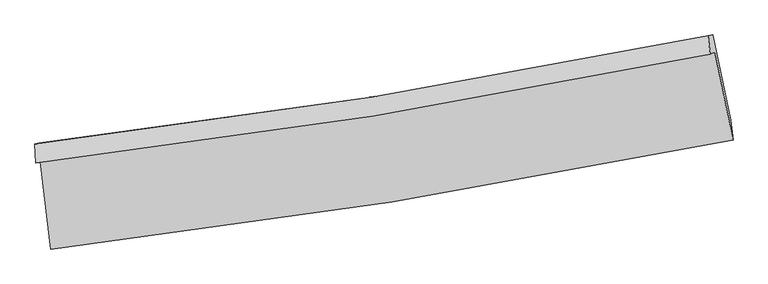
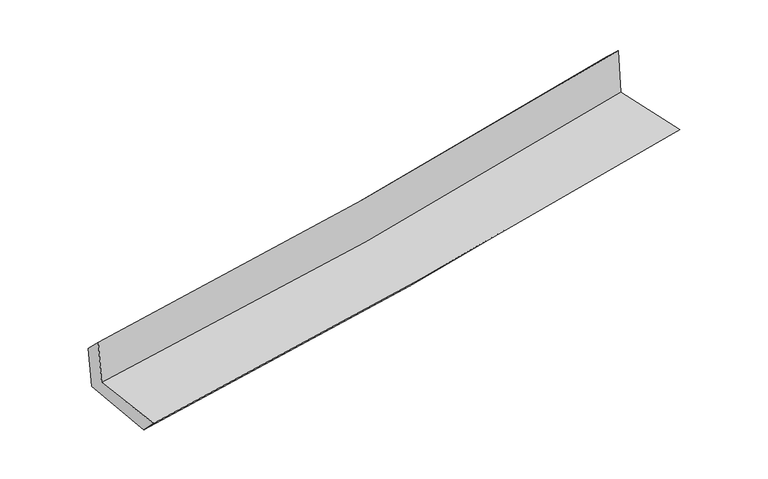
"""IFC4 building model written with IfcOpenShell, lengths in millimetres: proxy geometry."""

from ifc_helpers import new_model, si_unit, frame, origin, place, context, project, spatial, source, transform, mapped, element, save
from ifc_brep_helpers import plane_surface, spline_curve, spline_surface, advanced_brep


def generic_models_077e0597(model_context):
    return source(origin(), model_context, "Body", "AdvancedBrep", [
        advanced_brep(
        [(-2584.6248059, -1891.9893849, 1671.7375496), (-2503.3228064, -2557.5208877, 1661.949524), (2666.4260152, -1729.2644354, 2120.916524), (2528.8889383, -1062.6848142, 2122.1944625), (-2619.8818711, -1903.0049055, 2068.9298018), (2492.9731999, -1079.2513916, 2533.8171479), (-2624.407322, -1758.1184237, 1928.0452136), (2476.7503179, -936.3963136, 2395.3925075), (-2590.3931404, -1752.6695483, 1551.6459474), (2511.0770773, -930.8950238, 2024.2726326), (-2507.3653188, -2407.2827919, 1508.8038153), (2647.8298353, -1576.7412059, 1986.4710656)],
        [
            (0, 1),
            (1, 2, spline_curve(3, [(-2503.3228064, -2557.5208877, 1661.949524), (-1637.941454994, -2456.264512603, 1744.124450309), (-775.190811996, -2336.76835409, 1823.397060729), (948.077352228, -2060.811532951, 1976.406533706), (1808.576316357, -1904.222207167, 2050.122923024), (2666.4260152, -1729.2644354, 2120.916524)], [4, 2, 4], [0.0, 8.563182455066153, 17.156514017241598])),
            (2, 3),
            (3, 0, spline_curve(3, [(2528.8889383, -1062.6848142, 2122.1944625), (1682.065352351, -1240.227680377, 2041.052763064), (831.772497714, -1398.194932459, 1962.883085089), (-872.756384583, -1674.492670688, 1812.751598466), (-1726.968110999, -1792.960275577, 1740.768972181), (-2584.6248059, -1891.9893849, 1671.7375496)], [4, 2, 4], [0.0, 8.593331562175445, 17.156514017241598])),
            (4, 0),
            (3, 5),
            (5, 4, spline_curve(3, [(2492.9731999, -1079.2513916, 2533.8171479), (1645.204084932, -1254.564794381, 2458.502100561), (794.494378894, -1410.955058394, 2382.033863129), (-909.811242499, -1685.407014743, 2227.063336861), (-1763.386560021, -1803.601255405, 2148.56912562), (-2619.8818711, -1903.0049055, 2068.9298018)], [4, 2, 4], [0.0, 8.547293110797735, 17.064598637196166])),
            (6, 4),
            (5, 7),
            (7, 6, spline_curve(3, [(2476.7503179, -936.3963136, 2395.3925075), (1631.109204333, -1111.215415187, 2317.525312835), (782.439844422, -1267.189083882, 2239.577527205), (-917.967247107, -1540.964450225, 2083.794531136), (-1769.68376706, -1658.898151565, 2005.959885748), (-2624.407322, -1758.1184237, 1928.0452136)], [4, 2, 4], [0.0, 8.537420234737198, 17.044887523375227])),
            (8, 6),
            (7, 9),
            (9, 8, spline_curve(3, [(2511.0770773, -930.8950238, 2024.2726326), (1665.227318909, -1105.753513429, 1947.265272566), (816.42767982, -1261.751224542, 1869.30515194), (-884.083055572, -1535.543954652, 1711.756249825), (-1735.773488997, -1653.471084897, 1632.174142032), (-2590.3931404, -1752.6695483, 1551.6459474)], [4, 2, 4], [0.0, 8.528532511267496, 17.0271432583965])),
            (10, 8),
            (9, 11),
            (11, 10, spline_curve(3, [(2647.8298353, -1576.7412059, 1986.4710656), (1793.072627429, -1753.435827845, 1908.612595965), (935.334263249, -1911.083150438, 1829.806143629), (-783.085003374, -2187.796927805, 1670.577086469), (-1643.745023662, -2306.996800677, 1590.161122187), (-2507.3653188, -2407.2827919, 1508.8038153)], [4, 2, 4], [0.0, 8.574152138972908, 17.11822246051111])),
            (1, 10),
            (11, 2),
        ],
        [
            spline_surface(3, 3, [[(-2584.6248059, -1891.9893849, 1671.7375496), (-1726.968111124, -1792.960275711, 1740.768972053), (-872.756384464, -1674.492670826, 1812.751598475), (831.772497593, -1398.194932321, 1962.88308508), (1682.065352368, -1240.227680332, 2041.052762988), (2528.8889383, -1062.6848142, 2122.1944625)], [(-2557.524139388, -2113.833219182, 1668.474874392), (-1697.292559024, -2014.061687987, 1741.887464792), (-840.234526941, -1895.251231936, 1816.300085919), (870.540782469, -1619.067132478, 1967.390901272), (1724.235673758, -1461.559189258, 2044.076149721), (2574.734630627, -1284.878021295, 2121.76848303)], [(-2530.423472912, -2335.677053418, 1665.212199208), (-1667.617006961, -2235.163100217, 1743.005957557), (-807.712669465, -2116.009793093, 1819.848573349), (909.309067298, -1839.939332681, 1971.89871745), (1766.405995069, -1682.890698101, 2047.099536364), (2620.580322873, -1507.071228305, 2121.34250347)], [(-2503.3228064, -2557.5208877, 1661.949524), (-1637.941454862, -2456.264512493, 1744.124450296), (-775.190811942, -2336.768354202, 1823.397060793), (948.077352174, -2060.811532838, 1976.406533642), (1808.576316459, -1904.222207028, 2050.122923097), (2666.4260152, -1729.2644354, 2120.916524)]], [4, 4], [4, 2, 4], [0.0, 2.2018910088754846], [0.0, 8.563182455066153, 17.156514017241598]),
            spline_surface(3, 3, [[(-2619.8818711, -1903.0049055, 2068.9298018), (-1763.386560014, -1803.601255524, 2148.569125696), (-909.811242397, -1685.407014817, 2227.06333685), (794.494378791, -1410.95505832, 2382.03386314), (1645.204084842, -1254.564794342, 2458.502100669), (2492.9731999, -1079.2513916, 2533.8171479)], [(-2608.129516028, -1899.333065311, 1936.532384394), (-1751.247077046, -1800.054262264, 2012.635741143), (-897.459623103, -1681.768900154, 2088.959424052), (806.920418375, -1406.701682987, 2242.316937113), (1657.491174005, -1249.785756311, 2319.352321413), (2504.945112688, -1073.729199106, 2396.609586071)], [(-2596.377160972, -1895.661225089, 1804.134967006), (-1739.107594092, -1796.507268971, 1876.702356606), (-885.108003758, -1678.130785489, 1950.855511274), (819.346458009, -1402.448307653, 2102.600011107), (1669.778263204, -1245.006718362, 2180.202542244), (2516.917025512, -1068.207006694, 2259.402024329)], [(-2584.6248059, -1891.9893849, 1671.7375496), (-1726.968111124, -1792.960275711, 1740.768972053), (-872.756384464, -1674.492670826, 1812.751598475), (831.772497593, -1398.194932321, 1962.88308508), (1682.065352368, -1240.227680332, 2041.052762988), (2528.8889383, -1062.6848142, 2122.1944625)]], [4, 4], [4, 2, 4], [0.0, 1.3732326478253685], [0.0, 8.517305526398431, 17.064598637196166]),
            spline_surface(3, 3, [[(-2624.407322, -1758.1184237, 1928.0452136), (-1769.683767006, -1658.898151505, 2005.959885609), (-917.967247073, -1540.964450162, 2083.794531262), (782.439844389, -1267.189083945, 2239.577527079), (1631.109204455, -1111.215415254, 2317.525312697), (2476.7503179, -936.3963136, 2395.3925075)], [(-2622.898838379, -1806.413917606, 1975.006743017), (-1767.584698021, -1707.132519484, 2053.496298988), (-915.248578835, -1589.111971735, 2131.550799808), (786.458022536, -1315.111075425, 2287.062972449), (1635.807497921, -1158.998541615, 2364.517575366), (2482.157945237, -984.014672932, 2441.534054311)], [(-2621.390354721, -1854.709411594, 2021.968272383), (-1765.485629, -1755.366887545, 2101.032712317), (-912.529910636, -1637.259493244, 2179.307068304), (790.476200644, -1363.03306684, 2334.548417769), (1640.505791375, -1206.781667981, 2411.509838001), (2487.565572563, -1031.633032268, 2487.675601089)], [(-2619.8818711, -1903.0049055, 2068.9298018), (-1763.386560014, -1803.601255524, 2148.569125696), (-909.811242397, -1685.407014817, 2227.06333685), (794.494378791, -1410.95505832, 2382.03386314), (1645.204084842, -1254.564794342, 2458.502100669), (2492.9731999, -1079.2513916, 2533.8171479)]], [4, 4], [4, 2, 4], [0.0, 0.6665618395937992], [0.0, 8.50746728863803, 17.044887523375227]),
            spline_surface(3, 3, [[(-2590.3931404, -1752.6695483, 1551.6459474), (-1735.773488921, -1653.471084993, 1632.174142052), (-884.083055467, -1535.543954696, 1711.756249852), (816.427679715, -1261.751224497, 1869.305151912), (1665.227318781, -1105.7535133, 1947.265272514), (2511.0770773, -930.8950238, 2024.2726326)], [(-2601.731200915, -1754.485840113, 1677.11236945), (-1747.076914931, -1655.280107177, 1756.769389888), (-895.377786024, -1537.350786521, 1835.769010329), (805.098401251, -1263.563844316, 1992.729276975), (1653.854613984, -1107.574147301, 2070.685285907), (2499.634824145, -932.728787083, 2147.979257565)], [(-2613.069261485, -1756.302131887, 1802.57879155), (-1758.380340996, -1657.089129321, 1881.364637773), (-906.672516516, -1539.157618337, 1959.781770785), (793.769122852, -1265.376464126, 2116.153402016), (1642.481909252, -1109.394781253, 2194.105299304), (2488.192571055, -934.562550317, 2271.685882535)], [(-2624.407322, -1758.1184237, 1928.0452136), (-1769.683767006, -1658.898151505, 2005.959885609), (-917.967247073, -1540.964450162, 2083.794531262), (782.439844389, -1267.189083945, 2239.577527079), (1631.109204455, -1111.215415254, 2317.525312697), (2476.7503179, -936.3963136, 2395.3925075)]], [4, 4], [4, 2, 4], [0.0, 1.2229003253531057], [0.0, 8.498610747129003, 17.0271432583965]),
            spline_surface(3, 3, [[(-2507.3653188, -2407.2827919, 1508.8038153), (-1643.745023716, -2306.996800722, 1590.161122116), (-783.085003255, -2187.796927899, 1670.577086561), (935.334263129, -1911.083150344, 1829.806143537), (1793.072627329, -1753.435827879, 1908.612595827), (2647.8298353, -1576.7412059, 1986.4710656)], [(-2535.041259338, -2189.078377362, 1523.084526013), (-1674.421178789, -2089.154895475, 1604.165462109), (-816.751020644, -1970.379270147, 1684.303474327), (895.698735339, -1694.639175044, 1842.972479664), (1750.457524478, -1537.541723035, 1921.496821386), (2602.245582632, -1361.459145215, 1999.07158793)], [(-2562.717199862, -1970.873962838, 1537.365236687), (-1705.097333848, -1871.312990241, 1618.16980206), (-850.417038078, -1752.961612448, 1698.029862086), (856.063207505, -1478.195199797, 1856.138815785), (1707.842421631, -1321.647618144, 1934.381046955), (2556.661329968, -1146.177084485, 2011.67211027)], [(-2590.3931404, -1752.6695483, 1551.6459474), (-1735.773488921, -1653.471084993, 1632.174142052), (-884.083055467, -1535.543954696, 1711.756249852), (816.427679715, -1261.751224497, 1869.305151912), (1665.227318781, -1105.7535133, 1947.265272514), (2511.0770773, -930.8950238, 2024.2726326)]], [4, 4], [4, 2, 4], [0.0, 2.1694454667700653], [0.0, 8.544070321538202, 17.11822246051111]),
            spline_surface(3, 3, [[(-2503.3228064, -2557.5208877, 1661.949524), (-1637.941454862, -2456.264512493, 1744.124450296), (-775.190811942, -2336.768354202, 1823.397060793), (948.077352174, -2060.811532838, 1976.406533642), (1808.576316459, -1904.222207028, 2050.122923097), (2666.4260152, -1729.2644354, 2120.916524)], [(-2504.670310552, -2507.441522425, 1610.900954433), (-1639.875977832, -2406.508608561, 1692.803340903), (-777.822209052, -2287.11121211, 1772.457069358), (943.82965582, -2010.902072015, 1927.539736916), (1803.408420086, -1853.960080614, 2002.952813999), (2660.227288571, -1678.423358869, 2076.101371192)], [(-2506.017814648, -2457.362157175, 1559.852384867), (-1641.810500746, -2356.752704654, 1641.48223151), (-780.453606145, -2237.454069992, 1721.517077995), (939.581959483, -1960.992611167, 1878.672940262), (1798.240523702, -1803.697954293, 1955.782704925), (2654.028561929, -1627.582282431, 2031.286218408)], [(-2507.3653188, -2407.2827919, 1508.8038153), (-1643.745023716, -2306.996800722, 1590.161122116), (-783.085003255, -2187.796927899, 1670.577086561), (935.334263129, -1911.083150344, 1829.806143537), (1793.072627329, -1753.435827879, 1908.612595827), (2647.8298353, -1576.7412059, 1986.4710656)]], [4, 4], [4, 2, 4], [0.0, 0.69459575822579], [0.0, 8.598807809550651, 17.227890155352597]),
            plane_surface(frame((2553.9908973, -1219.2055308, 2197.17739), z_axis=(0.9751446091611805, 0.2010254465464654, 0.09317596827875185), x_axis=(-0.09209189770350651, -0.014758871210980868, 0.9956411291715227))),
            plane_surface(frame((-2571.6658774, -2045.097657, 1731.8519753), z_axis=(-0.9886562188371493, -0.11943584957032262, -0.09107117432012403), x_axis=(-0.12124664277013869, 0.9925150775795041, 0.014596999497209873))),
        ],
        [
            (0, [[1, 2, 3, 4]]),
            (1, [[5, -4, 6, 7]]),
            (2, [[8, -7, 9, 10]]),
            (3, [[11, -10, 12, 13]]),
            (4, [[14, -13, 15, 16]]),
            (5, [[17, -16, 18, -2]]),
            (6, [[-12, -9, -6, -3, -18, -15]]),
            (7, [[-1, -5, -8, -11, -14, -17]]),
        ],
    ),
    ])


if __name__ == "__main__":
    model = new_model("IFC4")
    model_context = context("Model", 3, world=origin())
    ifc_project = project(units=[si_unit("LENGTHUNIT", "METRE", prefix="MILLI")], contexts=[model_context])
    site = spatial("IfcSite", under=ifc_project)
    building = spatial("IfcBuilding", under=site)
    placement = place(None, origin())
    generic_models_shape = generic_models_077e0597(model_context)
    element("IfcBuildingElementProxy", 1, Name="Generic Models", at=placement, inside=building, context=model_context, shape_type="MappedRepresentation", body=[
        mapped(generic_models_shape, transform((0.0, 0.0, 0.0), x_axis=(1.0, 0.0, 0.0), y_axis=(0.0, 1.0, 0.0), z_axis=(0.0, 0.0, 1.0))),
    ])
    save(model, "model.ifc")
